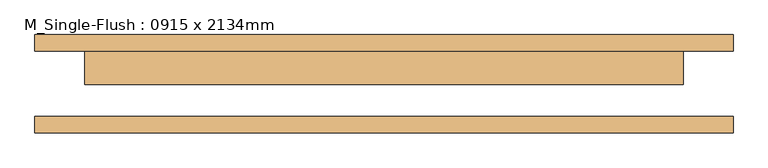
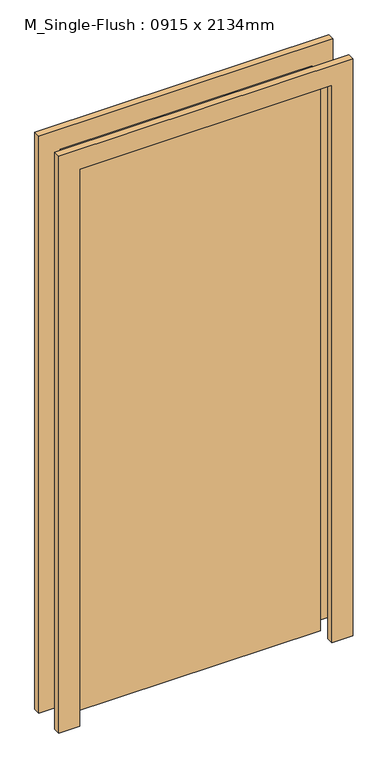
"""IFC4 building model written with IfcOpenShell, lengths in millimetres: door geometry, M_Single-Flush : 0915 x 2134mm."""

import ifcopenshell
import ifcopenshell.guid

model = None  # the IFC model being written
_history = None  # IfcOwnerHistory: only IFC2X3 demands one
_inside = {}  # id of a spatial element -> (the spatial element, [elements in it])
_under = {}  # id of a project, library or spatial element -> (it, [spatial elements below it])
_declared = {}  # id of a project -> (the project, [libraries it declares])
_typed = {}  # id of a type object -> (the type object, [elements of that type])
_made_of = {}  # id of a material, layer set ... -> (it, [elements and type objects made of it])


def new_model(schema):
    """Start an empty IFC model of exactly this schema.

    Asked for "IFC4X3", IfcOpenShell would pick the latest addendum, in which some entities
    have other attributes; the version numbers below select the first issue.
    IFC2X3 requires an IfcOwnerHistory on every rooted entity: one is made here for all.
    """
    global model, _history
    if schema == "IFC4X3":
        model = ifcopenshell.file(schema_version=(4, 3, 0, 0))
    else:
        model = ifcopenshell.file(schema=schema)
    _inside.clear()
    _under.clear()
    _declared.clear()
    _typed.clear()
    _made_of.clear()
    _history = None
    if model.schema == "IFC2X3":
        org = make("IfcOrganization", Name="unknown")
        user = make(
            "IfcPersonAndOrganization",
            ThePerson=make("IfcPerson", FamilyName="unknown"),
            TheOrganization=org,
        )
        app = make(
            "IfcApplication",
            ApplicationDeveloper=org,
            Version="unknown",
            ApplicationFullName="unknown",
            ApplicationIdentifier="unknown",
        )
        _history = make(
            "IfcOwnerHistory",
            OwningUser=user,
            OwningApplication=app,
            ChangeAction="ADDED",
            CreationDate=0,
        )
    return model


def make(cls, **values):
    """One entity of the class cls with the attributes given. An attribute that is None is left unset."""
    return model.create_entity(
        cls, **{name: value for name, value in values.items() if value is not None}
    )


def rooted(cls, **values):
    """An entity with a GlobalId (a new one), such as an element, a storey or a relation."""
    return make(cls, GlobalId=ifcopenshell.guid.new(), OwnerHistory=_history, **values)


def si_unit(unit_type, name, prefix=None):
    """IfcSIUnit, for example si_unit("LENGTHUNIT", "METRE", prefix="MILLI")."""
    return make("IfcSIUnit", UnitType=unit_type, Prefix=prefix, Name=name)


def assignment(units):
    """IfcUnitAssignment: the units of a project."""
    return None if units is None else make("IfcUnitAssignment", Units=units)


def point(xyz):
    """IfcCartesianPoint."""
    return None if xyz is None else make("IfcCartesianPoint", Coordinates=xyz)


def direction(xyz):
    """IfcDirection."""
    return None if xyz is None else make("IfcDirection", DirectionRatios=xyz)


def frame(location, z_axis=None, x_axis=None):
    """IfcAxis2Placement3D, a coordinate frame: its origin and axes. An axis left out is left unset."""
    return make(
        "IfcAxis2Placement3D",
        Location=point(location),
        Axis=direction(z_axis),
        RefDirection=direction(x_axis),
    )


def origin():
    """The frame at (0, 0, 0) with its axes left unset."""
    return frame((0.0, 0.0, 0.0))


def origin_with_axes():
    """The frame at (0, 0, 0) with the z axis (0, 0, 1) and the x axis (1, 0, 0) written out."""
    return frame((0.0, 0.0, 0.0), z_axis=(0.0, 0.0, 1.0), x_axis=(1.0, 0.0, 0.0))


def place(relative_to, where):
    """IfcLocalPlacement: puts the frame where relative to a parent placement (None: the world)."""
    return make(
        "IfcLocalPlacement", PlacementRelTo=relative_to, RelativePlacement=where
    )


def context(
    kind, dimensions, precision=None, world=None, true_north=None, identifier=None
):
    """IfcGeometricRepresentationContext, for example the 3D "Model" context."""
    return make(
        "IfcGeometricRepresentationContext",
        ContextIdentifier=identifier,
        ContextType=kind,
        CoordinateSpaceDimension=dimensions,
        Precision=precision,
        WorldCoordinateSystem=world,
        TrueNorth=true_north,
    )


def project(units=None, contexts=None):
    """IfcProject with its units and contexts."""
    return rooted(
        "IfcProject",
        Name="project",
        RepresentationContexts=contexts,
        UnitsInContext=assignment(units),
    )


def spatial(cls, under=None, at=None, **own):
    """A site, building, storey or space (cls), placed at a placement, below another one or the project."""
    s = rooted(cls, ObjectPlacement=at, **own)
    if under is not None:
        _under.setdefault(under.id(), (under, []))[1].append(s)
    return s


def polyline(points):
    """IfcPolyline through the points."""
    return make("IfcPolyline", Points=[point(p) for p in points])


def outline(outer, holes=None, kind="AREA"):
    """IfcArbitraryClosedProfileDef: a profile drawn as a closed curve; with holes, ...WithVoids."""
    if holes is None:
        return make("IfcArbitraryClosedProfileDef", ProfileType=kind, OuterCurve=outer)
    return make(
        "IfcArbitraryProfileDefWithVoids",
        ProfileType=kind,
        OuterCurve=outer,
        InnerCurves=holes,
    )


def extrude(swept, where, along, depth):
    """IfcExtrudedAreaSolid: the profile swept, set in the frame where, extruded along a direction by depth."""
    return make(
        "IfcExtrudedAreaSolid",
        SweptArea=swept,
        Position=where,
        ExtrudedDirection=direction(along),
        Depth=depth,
    )


def shape(context_of_items, identifier, shape_type, items):
    """IfcShapeRepresentation: the items that make up one representation, for example the "Body"."""
    return make(
        "IfcShapeRepresentation",
        ContextOfItems=context_of_items,
        RepresentationIdentifier=identifier,
        RepresentationType=shape_type,
        Items=items,
    )


def source(mapping_origin, context_of_items, identifier, shape_type, items):
    """IfcRepresentationMap: a shape defined once, which mapped items show again and again."""
    return make(
        "IfcRepresentationMap",
        MappingOrigin=mapping_origin,
        MappedRepresentation=shape(context_of_items, identifier, shape_type, items),
    )


def transform(
    local_origin,
    x_axis=None,
    y_axis=None,
    z_axis=None,
    scale=None,
    scale2=None,
    scale3=None,
    uniform=True,
):
    """IfcCartesianTransformationOperator3D, or its non-uniform kind. x_axis, y_axis, z_axis: its Axis1, 2, 3."""
    if uniform:
        return make(
            "IfcCartesianTransformationOperator3D",
            Axis1=direction(x_axis),
            Axis2=direction(y_axis),
            LocalOrigin=point(local_origin),
            Scale=scale,
            Axis3=direction(z_axis),
        )
    return make(
        "IfcCartesianTransformationOperator3DnonUniform",
        Axis1=direction(x_axis),
        Axis2=direction(y_axis),
        LocalOrigin=point(local_origin),
        Scale=scale,
        Axis3=direction(z_axis),
        Scale2=scale2,
        Scale3=scale3,
    )


def mapped(mapping_source, mapping_target):
    """IfcMappedItem: shows the shape of a source again, moved by a transform."""
    return make(
        "IfcMappedItem", MappingSource=mapping_source, MappingTarget=mapping_target
    )


def made_of(thing, what):
    """Note that an element or type object is made of a material, layer set ...; save() writes the relation."""
    if what is not None:
        _made_of.setdefault(what.id(), (what, []))[1].append(thing)
    return thing


def element(
    cls,
    number,
    at=None,
    inside=None,
    cuts=None,
    type_object=None,
    material=None,
    context=None,
    identifier="Body",
    shape_type=None,
    held_by="IfcProductDefinitionShape",
    body=None,
    shapes=None,
    **own,
):
    """One element of the class cls, such as IfcWall. Its Tag is "e" and its number.

    at: its placement. inside: the storey or other place that contains it. cuts: it is an
    opening in that element (IfcRelVoidsElement). A single representation is given by context,
    identifier, shape_type and body (its items); several are given by shapes. held_by: the class
    of the entity that holds the representations. save() writes the other relations.
    """
    e = rooted(cls, Tag="e%d" % number, ObjectPlacement=at, **own)
    if body is not None:
        shapes = [shape(context, identifier, shape_type, body)]
    if shapes is not None:
        e.Representation = make(held_by, Representations=shapes)
    if inside is not None:
        _inside.setdefault(inside.id(), (inside, []))[1].append(e)
    if cuts is not None:
        rooted(
            "IfcRelVoidsElement", RelatingBuildingElement=cuts, RelatedOpeningElement=e
        )
    if type_object is not None:
        _typed.setdefault(type_object.id(), (type_object, []))[1].append(e)
    return made_of(e, material)


def aggregate(whole, parts):
    """IfcRelAggregates: a whole, such as a stair, and the parts it consists of."""
    return rooted("IfcRelAggregates", RelatingObject=whole, RelatedObjects=parts)


def save(model, path):
    """Write the relations noted so far, then the file.

    IfcRelAggregates (storeys below a building ...), IfcRelContainedInSpatialStructure (elements
    in a storey), IfcRelDefinesByType, IfcRelAssociatesMaterial and IfcRelDeclares: one each for
    every whole, place, type object, material and project.
    """
    for whole, parts in _under.values():
        aggregate(whole, parts)
    for where, things in _inside.values():
        rooted(
            "IfcRelContainedInSpatialStructure",
            RelatedElements=things,
            RelatingStructure=where,
        )
    for kind, things in _typed.values():
        rooted("IfcRelDefinesByType", RelatedObjects=things, RelatingType=kind)
    for what, things in _made_of.values():
        rooted("IfcRelAssociatesMaterial", RelatedObjects=things, RelatingMaterial=what)
    for by, libraries in _declared.values():
        rooted("IfcRelDeclares", RelatingContext=by, RelatedDefinitions=libraries)
    model.write(path)


def m_single_flush_0915_x_2134mm_ba1cf13c(model_context):
    return source(origin(), model_context, "Body", "SweptSolid", [
        extrude(outline(polyline([(2210.0, -533.5), (0.0, -533.5), (0.0, -457.5), (2134.0, -457.5), (2134.0, 457.5), (0.0, 457.5), (0.0, 533.5), (2210.0, 533.5), (2210.0, -533.5)])), frame((0.0, 50.0, 0.0), z_axis=(0.0, 1.0, 0.0), x_axis=(0.0, 0.0, 1.0)), (0.0, 0.0, 1.0), 25.0),
        extrude(outline(polyline([(2210.0, 533.5), (2210.0, -533.5), (0.0, -533.5), (0.0, -457.5), (2134.0, -457.5), (2134.0, 457.5), (0.0, 457.5), (0.0, 533.5), (2210.0, 533.5)])), frame((0.0, -75.0, 0.0), z_axis=(0.0, 1.0, 0.0), x_axis=(0.0, 0.0, 1.0)), (0.0, 0.0, 1.0), 25.0),
        extrude(outline(polyline([(457.5, -1.0), (-457.5, -1.0), (-457.5, 50.0), (457.5, 50.0), (457.5, -1.0)])), origin_with_axes(), (0.0, 0.0, 1.0), 2134.0),
    ])


if __name__ == "__main__":
    model = new_model("IFC4")
    model_context = context("Model", 3, world=origin())
    ifc_project = project(units=[si_unit("LENGTHUNIT", "METRE", prefix="MILLI")], contexts=[model_context])
    site = spatial("IfcSite", under=ifc_project)
    building = spatial("IfcBuilding", under=site)
    placement = place(None, origin())
    m_single_flush_0915_x_2134mm_shape = m_single_flush_0915_x_2134mm_ba1cf13c(model_context)
    element("IfcDoor", 1, ObjectType="M_Single-Flush : 0915 x 2134mm", at=placement, inside=building, context=model_context, shape_type="MappedRepresentation", body=[
        mapped(m_single_flush_0915_x_2134mm_shape, transform((0.0, 0.0, 0.0), x_axis=(1.0, 0.0, 0.0), y_axis=(0.0, 1.0, 0.0), z_axis=(0.0, 0.0, 1.0))),
    ])
    save(model, "model.ifc")
